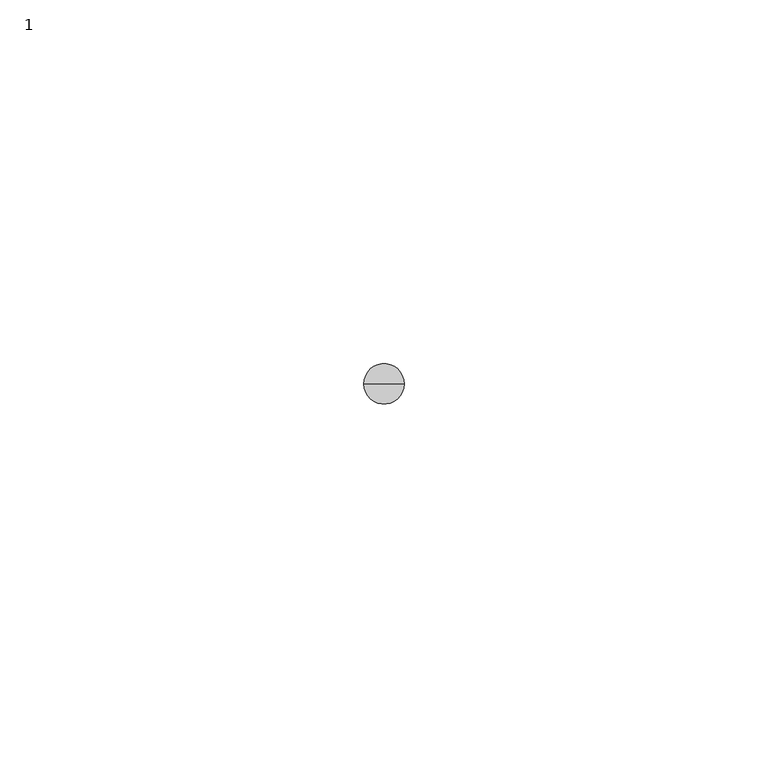
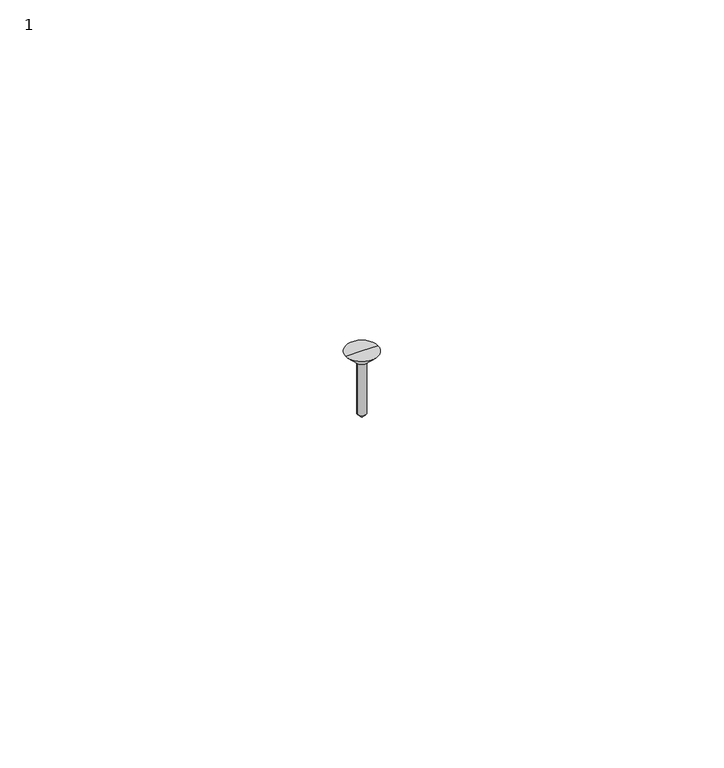
"""IFC4 building model written with IfcOpenShell, lengths in millimetres: proxy geometry, 1."""

from ifc_helpers import new_model, si_unit, frame, origin, origin_with_axes, place, context, project, spatial, polyline, circle_curve, source, transform, mapped, element, save
from ifc_brep_helpers import plane_surface, cylinder_surface, revolved_surface, advanced_brep


def proxy_1_80ef1565(model_context):
    return source(origin(), model_context, "Body", "AdvancedBrep", [
        advanced_brep(
        [(-0.7714164, 0.0, -2.0016443), (0.7714164, 0.0, -2.0016443), (0.7714164, 0.0, -11.2285836), (-0.7714164, 0.0, -11.2285836), (0.0, 0.0, -12.0), (-2.7730608, 0.0, 0.0), (2.7730608, 0.0, 0.0), (0.0, 0.0, 0.0)],
        [
            (0, 1, circle_curve(frame((0.0, 0.0, -2.0016443), z_axis=(0.0, 0.0, -1.0), x_axis=(1.0, 0.0, 0.0)), 0.7714164)),
            (1, 2),
            (2, 3, circle_curve(frame((0.0, 0.0, -11.2285836), z_axis=(0.0, 0.0, 1.0), x_axis=(1.0, 0.0, 0.0)), 0.7714164)),
            (3, 0),
            (1, 0, circle_curve(frame((0.0, 0.0, -2.0016443), z_axis=(0.0, 0.0, -1.0), x_axis=(1.0, 0.0, 0.0)), 0.7714164)),
            (3, 2, circle_curve(frame((0.0, 0.0, -11.2285836), z_axis=(0.0, 0.0, 1.0), x_axis=(1.0, 0.0, 0.0)), 0.7714164)),
            (2, 4),
            (4, 3),
            (5, 6, circle_curve(frame((0.0, 0.0, 0.0), z_axis=(0.0, 0.0, -1.0), x_axis=(1.0, 0.0, 0.0)), 2.7730608)),
            (6, 1),
            (0, 5),
            (6, 5, circle_curve(frame((0.0, 0.0, 0.0), z_axis=(0.0, 0.0, -1.0), x_axis=(1.0, 0.0, 0.0)), 2.7730608)),
            (7, 6),
            (5, 7),
        ],
        [
            cylinder_surface(origin_with_axes(), 0.7714164),
            revolved_surface(polyline([(0.0, 0.0, -12.0), (0.7714164, 0.0, -11.2285836)]), (0.0, 0.0, 0.0), (0.0, 0.0, 1.0)),
            revolved_surface(polyline([(0.7714164, 0.0, -2.0016443), (2.7730608, 0.0, 0.0)]), (0.0, 0.0, 0.0), (0.0, 0.0, 1.0)),
            plane_surface(origin_with_axes()),
        ],
        [
            (0, [[1, 2, 3, 4]]),
            (0, [[5, -4, 6, -2]]),
            (1, [[-3, 7, 8]]),
            (1, [[-6, -8, -7]]),
            (2, [[9, 10, -1, 11]]),
            (2, [[12, -11, -5, -10]]),
            (3, [[13, -9, 14]]),
            (3, [[-14, -12, -13]]),
        ],
    ),
    ])


if __name__ == "__main__":
    model = new_model("IFC4")
    model_context = context("Model", 3, world=origin())
    ifc_project = project(units=[si_unit("LENGTHUNIT", "METRE", prefix="MILLI")], contexts=[model_context])
    site = spatial("IfcSite", under=ifc_project)
    building = spatial("IfcBuilding", under=site)
    placement = place(None, origin())
    proxy_1_shape = proxy_1_80ef1565(model_context)
    element("IfcBuildingElementProxy", 1, Name="1", ObjectType="1", at=placement, inside=building, context=model_context, shape_type="MappedRepresentation", body=[
        mapped(proxy_1_shape, transform((0.0, 0.0, 0.0), x_axis=(1.0, 0.0, 0.0), y_axis=(0.0, 1.0, 0.0), z_axis=(0.0, 0.0, 1.0))),
    ])
    save(model, "model.ifc")
